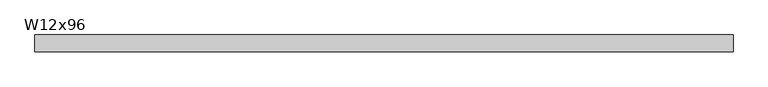
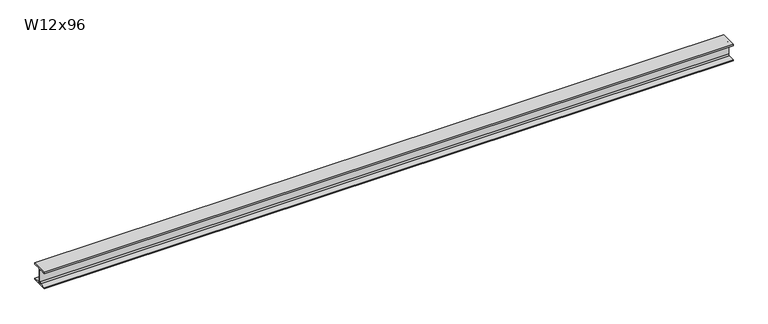
"""IFC4 building model written with IfcOpenShell, lengths in millimetres: beam geometry, W12x96."""

from ifc_helpers import new_model, si_unit, point, frame, frame_2d, origin, place, context, project, spatial, polyline, circle_curve, trimmed, segment, composite_curve, outline, extrude, source, transform, mapped, element, save


def w12x96_a4de3d84(model_context):
    return source(origin(), model_context, "Body", "SweptSolid", [
        extrude(outline(composite_curve([segment(polyline([(154.94, -138.43), (154.94, -161.29), (-154.94, -161.29), (-154.94, -138.43), (-30.1625, -138.43)]), True, "CONTINUOUS"), segment(trimmed(circle_curve(frame_2d((-30.1625, -115.2525)), 23.1775), [point((-30.1625, -138.43))], [point((-6.985, -115.2525))], True, "CARTESIAN"), True, "CONTINUOUS"), segment(polyline([(-6.985, -115.2525), (-6.985, 115.2525)]), True, "CONTINUOUS"), segment(trimmed(circle_curve(frame_2d((-30.1625, 115.2525)), 23.1775), [point((-6.985, 115.2525))], [point((-30.1625, 138.43))], True, "CARTESIAN"), True, "CONTINUOUS"), segment(polyline([(-30.1625, 138.43), (-154.94, 138.43), (-154.94, 161.29), (154.94, 161.29), (154.94, 138.43), (30.1625, 138.43)]), True, "CONTINUOUS"), segment(trimmed(circle_curve(frame_2d((30.1625, 115.2525)), 23.1775), [point((30.1625, 138.43))], [point((6.985, 115.2525))], True, "CARTESIAN"), True, "CONTINUOUS"), segment(polyline([(6.985, 115.2525), (6.985, -115.2525)]), True, "CONTINUOUS"), segment(trimmed(circle_curve(frame_2d((30.1625, -115.2525)), 23.1775), [point((6.985, -115.2525))], [point((30.1625, -138.43))], True, "CARTESIAN"), True, "CONTINUOUS"), segment(polyline([(30.1625, -138.43), (154.94, -138.43)]), True, "CONTINUOUS")], self_intersect=False)), frame((-6451.6, 0.0, 0.0), z_axis=(1.0, 0.0, 0.0), x_axis=(0.0, 1.0, 0.0)), (0.0, 0.0, 1.0), 12903.2),
    ])


if __name__ == "__main__":
    model = new_model("IFC4")
    model_context = context("Model", 3, world=origin())
    ifc_project = project(units=[si_unit("LENGTHUNIT", "METRE", prefix="MILLI")], contexts=[model_context])
    site = spatial("IfcSite", under=ifc_project)
    building = spatial("IfcBuilding", under=site)
    placement = place(None, origin())
    w12x96_shape = w12x96_a4de3d84(model_context)
    element("IfcBeam", 1, ObjectType="W12x96", at=placement, inside=building, context=model_context, shape_type="MappedRepresentation", body=[
        mapped(w12x96_shape, transform((0.0, 0.0, 0.0), x_axis=(1.0, 0.0, 0.0), y_axis=(0.0, 1.0, 0.0), z_axis=(0.0, 0.0, 1.0))),
    ])
    save(model, "model.ifc")
